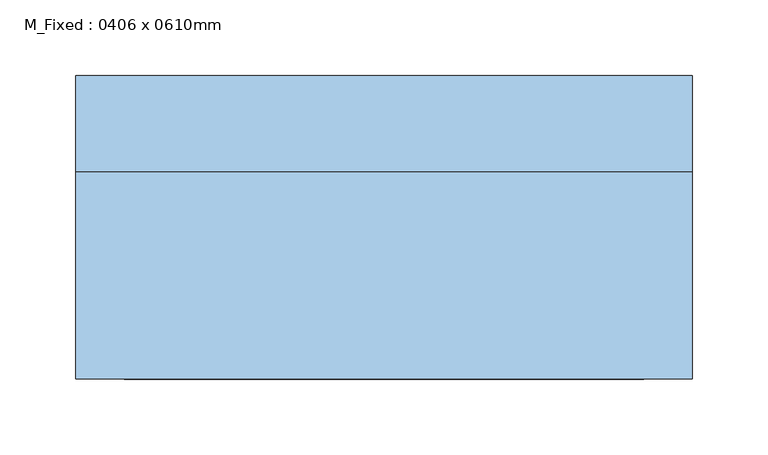
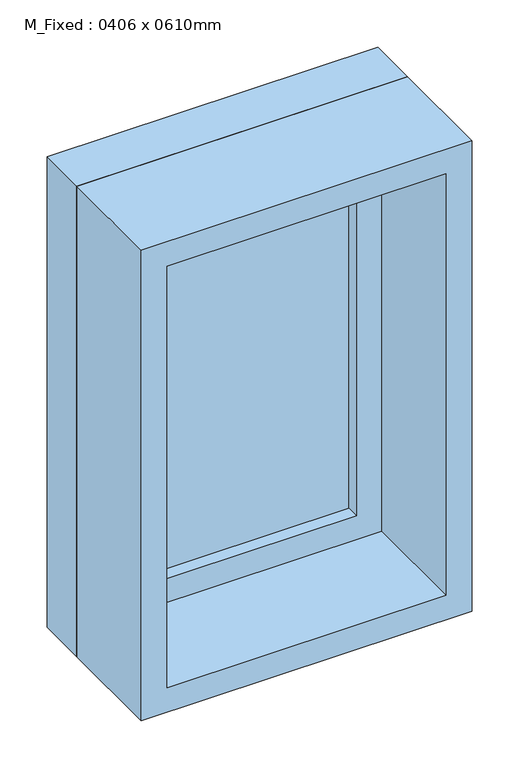
"""IFC4 building model written with IfcOpenShell, lengths in millimetres: window geometry, M_Fixed : 0406 x 0610mm."""

from ifc_helpers import new_model, si_unit, frame, origin, place, context, project, spatial, polyline, outline, extrude, source, transform, mapped, element, save


def m_fixed_0406_x_0610mm_8205b201(model_context):
    return source(origin(), model_context, "Body", "SweptSolid", [
        extrude(outline(polyline([(-140.0, 78.0), (140.0, 78.0), (140.0, 66.0), (-140.0, 66.0), (-140.0, 78.0)])), frame((0.0, 0.0, 978.0), z_axis=(0.0, 0.0, 1.0), x_axis=(1.0, 0.0, 0.0)), (0.0, 0.0, 1.0), 484.0),
        extrude(outline(polyline([(1506.0, -184.0), (934.0, -184.0), (934.0, 184.0), (1506.0, 184.0), (1506.0, -184.0)]), holes=[polyline([(1462.0, -140.0), (1462.0, 140.0), (978.0, 140.0), (978.0, -140.0), (1462.0, -140.0)])]), frame((0.0, 50.0, 0.0), z_axis=(0.0, 1.0, 0.0), x_axis=(0.0, 0.0, 1.0)), (0.0, 0.0, 1.0), 44.0),
        extrude(outline(polyline([(1525.0, -203.0), (915.0, -203.0), (915.0, 203.0), (1525.0, 203.0), (1525.0, -203.0)]), holes=[polyline([(1506.0, -184.0), (1506.0, 184.0), (934.0, 184.0), (934.0, -184.0), (1506.0, -184.0)])]), frame((0.0, 50.0, 0.0), z_axis=(0.0, 1.0, 0.0), x_axis=(0.0, 0.0, 1.0)), (0.0, 0.0, 1.0), 63.0),
        extrude(outline(polyline([(1525.0, -203.0), (915.0, -203.0), (915.0, 203.0), (1525.0, 203.0), (1525.0, -203.0)]), holes=[polyline([(1493.0, -171.0), (1493.0, 171.0), (947.0, 171.0), (947.0, -171.0), (1493.0, -171.0)])]), frame((0.0, -87.0, 0.0), z_axis=(0.0, 1.0, 0.0), x_axis=(0.0, 0.0, 1.0)), (0.0, 0.0, 1.0), 137.0),
    ])


if __name__ == "__main__":
    model = new_model("IFC4")
    model_context = context("Model", 3, world=origin())
    ifc_project = project(units=[si_unit("LENGTHUNIT", "METRE", prefix="MILLI")], contexts=[model_context])
    site = spatial("IfcSite", under=ifc_project)
    building = spatial("IfcBuilding", under=site)
    placement = place(None, origin())
    m_fixed_0406_x_0610mm_shape = m_fixed_0406_x_0610mm_8205b201(model_context)
    element("IfcWindow", 1, ObjectType="M_Fixed : 0406 x 0610mm", at=placement, inside=building, context=model_context, shape_type="MappedRepresentation", body=[
        mapped(m_fixed_0406_x_0610mm_shape, transform((0.0, 0.0, 0.0), x_axis=(1.0, 0.0, 0.0), y_axis=(0.0, 1.0, 0.0), z_axis=(0.0, 0.0, 1.0))),
    ])
    save(model, "model.ifc")
